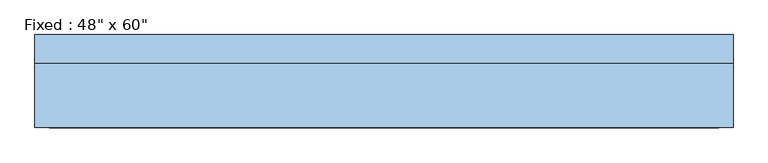
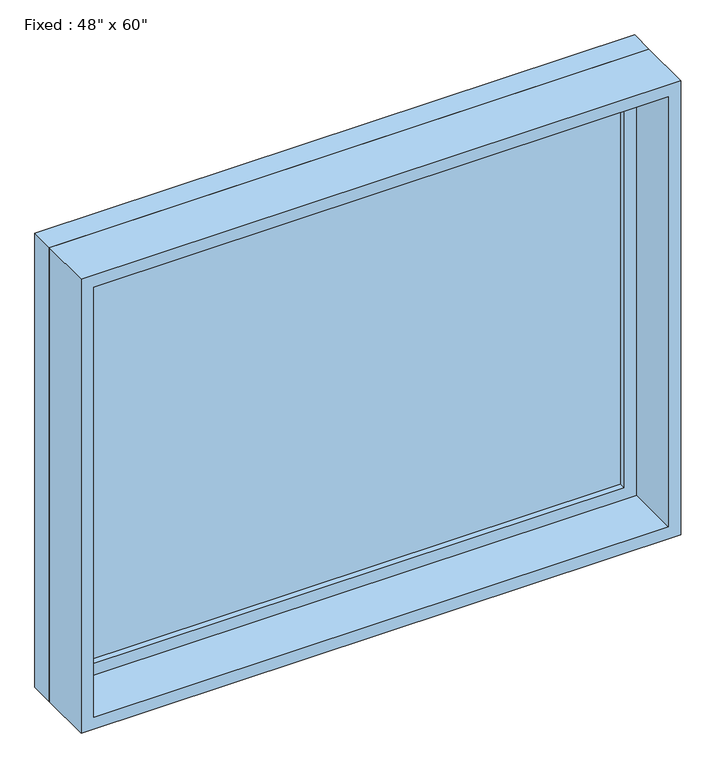
"""IFC4 building model written with IfcOpenShell, lengths in millimetres: window geometry."""

from ifc_helpers import new_model, si_unit, frame, origin, place, context, project, spatial, polyline, outline, extrude, source, transform, mapped, element, save


def window_46bfc289(model_context):
    return source(origin(), model_context, "Body", "SweptSolid", [
        extrude(outline(polyline([(660.4, 53.975), (-736.6, 53.975), (-736.6, 66.675), (660.4, 66.675), (660.4, 53.975)])), frame((0.0, 0.0, 977.9), z_axis=(0.0, 0.0, 1.0), x_axis=(1.0, 0.0, 0.0)), (0.0, 0.0, 1.0), 1092.2),
        extrude(outline(polyline([(2114.55, -781.05), (933.45, -781.05), (933.45, 704.85), (2114.55, 704.85), (2114.55, -781.05)]), holes=[polyline([(2070.1, -736.6), (2070.1, 660.4), (977.9, 660.4), (977.9, -736.6), (2070.1, -736.6)])]), frame((0.0, 38.1, 0.0), z_axis=(0.0, 1.0, 0.0), x_axis=(0.0, 0.0, 1.0)), (0.0, 0.0, 1.0), 44.45),
        extrude(outline(polyline([(2133.6, -800.1), (914.4, -800.1), (914.4, 723.9), (2133.6, 723.9), (2133.6, -800.1)]), holes=[polyline([(2101.85, -768.35), (2101.85, 692.15), (946.15, 692.15), (946.15, -768.35), (2101.85, -768.35)])]), frame((0.0, -101.6, 0.0), z_axis=(0.0, 1.0, 0.0), x_axis=(0.0, 0.0, 1.0)), (0.0, 0.0, 1.0), 139.7),
        extrude(outline(polyline([(2133.6, 723.9), (2133.6, -800.1), (914.4, -800.1), (914.4, 723.9), (2133.6, 723.9)]), holes=[polyline([(2114.55, 704.85), (933.45, 704.85), (933.45, -781.05), (2114.55, -781.05), (2114.55, 704.85)])]), frame((0.0, 38.1, 0.0), z_axis=(0.0, 1.0, 0.0), x_axis=(0.0, 0.0, 1.0)), (0.0, 0.0, 1.0), 63.5),
    ])


if __name__ == "__main__":
    model = new_model("IFC4")
    model_context = context("Model", 3, world=origin())
    ifc_project = project(units=[si_unit("LENGTHUNIT", "METRE", prefix="MILLI")], contexts=[model_context])
    site = spatial("IfcSite", under=ifc_project)
    building = spatial("IfcBuilding", under=site)
    placement = place(None, origin())
    window_shape = window_46bfc289(model_context)
    element("IfcWindow", 1, ObjectType="Fixed : 48\" x 60\"", at=placement, inside=building, context=model_context, shape_type="MappedRepresentation", body=[
        mapped(window_shape, transform((0.0, 0.0, 0.0), x_axis=(1.0, 0.0, 0.0), y_axis=(0.0, 1.0, 0.0), z_axis=(0.0, 0.0, 1.0))),
    ])
    save(model, "model.ifc")
